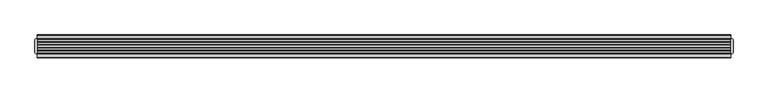
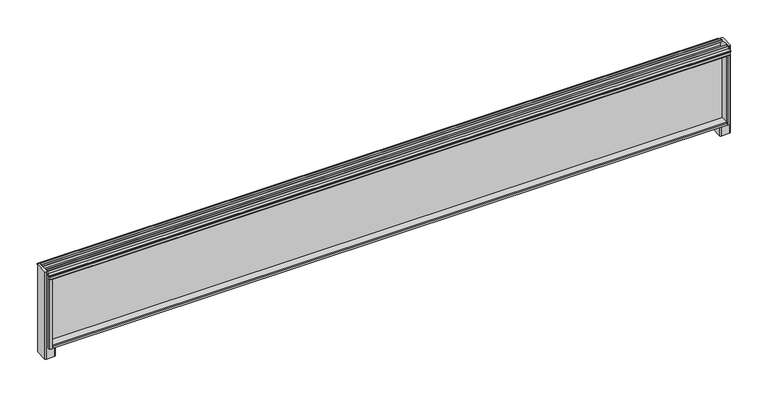
"""IFC4 building model written with IfcOpenShell, lengths in millimetres: furniture geometry."""

from ifc_helpers import new_model, si_unit, frame, origin, place, context, project, spatial, polyline, outline, extrude, faceted_brep, source, transform, mapped, element, save


def furniture_b401d12e(model_context):
    return source(origin(), model_context, "Body", "SolidModel", [
        extrude(outline(polyline([(-27.0409102, 1418.3763357), (-40.5028792, 1418.3763357), (-41.2648967, 1420.7892698), (-40.5028792, 1421.5512873), (-27.0409102, 1421.5512873), (-27.0409102, 1418.3763357)])), frame((-840.427047, 0.0, 0.0), z_axis=(1.0, 0.0, 0.0), x_axis=(0.0, 1.0, 0.0)), (0.0, 0.0, 1.0), 2422.2787647),
        extrude(outline(polyline([(23.7590898, 1418.3763357), (23.7590898, 1421.5512873), (37.2212041, 1421.5512873), (37.9830762, 1420.7892698), (37.2212041, 1418.3763357), (23.7590898, 1418.3763357)])), frame((-840.427047, 0.0, 0.0), z_axis=(1.0, 0.0, 0.0), x_axis=(0.0, 1.0, 0.0)), (0.0, 0.0, 1.0), 2422.2787647),
        faceted_brep([(1570.9297099, -35.7961223, 1153.9115191), (1570.9297099, -37.5819335, 1152.1335752), (1570.9297099, -37.5819335, 1144.7676004), (1570.9297099, -35.7961223, 1143.0), (1570.9297099, 32.5143503, 1143.0), (1570.9297099, 34.300113, 1144.7676004), (1570.9297099, 34.300113, 1152.1335752), (1570.9297099, 32.5143503, 1153.9115191), (1570.9297099, 4.2011266, 1153.9115191), (1570.9297099, 2.1691285, 1152.1335752), (1570.9297099, 2.1691285, 1146.9264803), (1570.9297099, 0.3911847, 1145.1485365), (1570.9297099, -3.6728114, 1145.1485365), (1570.9297099, -5.4509005, 1146.9264803), (1570.9297099, -5.4509005, 1152.1335752), (1570.9297099, -7.4828986, 1153.9115191), (-829.4973172, -35.7961223, 1153.9115191), (-829.4973172, -7.4828986, 1153.9115191), (-829.4973172, -5.4509005, 1152.1335752), (-829.4973172, -5.4509005, 1146.9264803), (-829.4973172, -3.6729567, 1145.1485365), (-829.4973172, 0.3913301, 1145.1485365), (-829.4973172, 2.1691285, 1146.9264803), (-829.4973172, 2.1691285, 1152.1335752), (-829.4973172, 4.2011266, 1153.9115191), (-829.4973172, 32.5143503, 1153.9115191), (-829.4973172, 34.300113, 1152.1335752), (-829.4973172, 34.300113, 1144.7676004), (-829.4973172, 32.5143503, 1143.0), (-829.4973172, -35.7961223, 1143.0), (-829.4973172, -37.5819335, 1144.7676004), (-829.4973172, -37.5819335, 1152.1335752)], [[[0, 1, 2, 3, 4, 5, 6, 7, 8, 9, 10, 11, 12, 13, 14, 15]], [[16, 17, 18, 19, 20, 21, 22, 23, 24, 25, 26, 27, 28, 29, 30, 31]], [[1, 0, 16, 31]], [[2, 1, 31, 30]], [[3, 2, 30, 29]], [[4, 3, 29, 28]], [[5, 4, 28, 27]], [[6, 5, 27, 26]], [[7, 6, 26, 25]], [[8, 7, 25, 24]], [[9, 8, 24, 23]], [[10, 9, 23, 22]], [[11, 10, 22, 21]], [[12, 11, 21, 20]], [[13, 12, 20, 19]], [[14, 13, 19, 18]], [[15, 14, 18, 17]], [[0, 15, 17, 16]]]),
        faceted_brep([(-814.7653676, -27.0409102, 1143.0), (-811.5902707, -23.8659587, 1143.0), (-811.5902707, 20.5841382, 1143.0), (-814.7653676, 23.7590898, 1143.0), (-829.4973172, 23.7590898, 1143.0), (-829.4973172, 3.9548342, 1143.0), (-831.2751157, 2.1691285, 1143.0), (-836.482356, 2.1691285, 1143.0), (-838.2601545, 0.3913301, 1143.0), (-838.2601545, -3.6728114, 1143.0), (-836.4820653, -5.4509005, 1143.0), (-831.2751157, -5.4509005, 1143.0), (-829.4973172, -7.2366547, 1143.0), (-829.4973172, -27.0409102, 1143.0), (-845.3007966, 23.7590898, 1101.5265625), (-814.7653676, 23.7590898, 1101.5265625), (-811.5902707, 20.5841382, 1101.5265625), (-811.5902707, -23.8659587, 1101.5265625), (-814.7653676, -27.0409102, 1101.5265625), (-845.3007966, -27.0409102, 1101.5265625), (-848.4836583, -23.8659587, 1101.5265625), (-848.4836583, 20.5841382, 1101.5265625), (-848.4836583, 20.5841382, 1430.734375), (-845.3007966, 23.7590898, 1430.734375), (-848.4836583, -23.8659587, 1430.734375), (-845.3007241, -27.0408375, 1430.734375), (-840.427047, -27.0409102, 1143.0), (-840.427047, -27.0409102, 1403.9237295), (-840.427047, -27.0409102, 1430.734375), (-840.427047, 23.7590898, 1430.734375), (-840.427047, 23.7590898, 1403.9237295), (-840.427047, 23.7590898, 1143.0), (-838.6412359, 34.300113, 1403.9237295), (-840.427047, 32.5143503, 1403.9237295), (-840.427047, -35.7961223, 1403.9237295), (-838.6412359, -37.5819335, 1403.9237295), (-831.2751157, -37.5819335, 1403.9237295), (-829.4973172, -35.7961223, 1403.9237295), (-829.4973172, -7.2366547, 1403.9237295), (-831.2751157, -5.4509005, 1403.9237295), (-836.482356, -5.4509005, 1403.9237295), (-838.2601545, -3.6728114, 1403.9237295), (-838.2601545, 0.3913301, 1403.9237295), (-836.482356, 2.1691285, 1403.9237295), (-831.2751157, 2.1691285, 1403.9237295), (-829.4973172, 3.9548342, 1403.9237295), (-829.4973172, 32.5143503, 1403.9237295), (-831.2751157, 34.300113, 1403.9237295), (-838.6412359, 34.300113, 1143.0), (-831.2751157, 34.300113, 1143.0), (-829.4973172, 32.5143503, 1143.0), (-840.427047, 32.5143503, 1143.0), (-829.4973172, -35.7961223, 1143.0), (-831.2751157, -37.5819335, 1143.0), (-838.6412359, -37.5819335, 1143.0), (-840.427047, -35.7961223, 1143.0)], [[[0, 1, 2, 3, 4, 5, 6, 7, 8, 9, 10, 11, 12, 13]], [[14, 15, 16, 17, 18, 19, 20, 21]], [[14, 21, 22, 23]], [[21, 20, 24, 22]], [[20, 19, 25, 24]], [[19, 18, 0, 13, 26, 27, 28, 25]], [[1, 0, 18, 17]], [[2, 1, 17, 16]], [[3, 2, 16, 15]], [[15, 14, 23, 29, 30, 31, 4, 3]], [[23, 22, 24, 25, 28, 29]], [[29, 28, 27, 30]], [[32, 33, 30, 27, 34, 35, 36, 37, 38, 39, 40, 41, 42, 43, 44, 45, 46, 47]], [[48, 49, 50, 4, 31, 51]], [[52, 53, 54, 55, 26, 13]], [[33, 32, 48, 51]], [[33, 51, 31, 30]], [[55, 34, 27, 26]], [[35, 34, 55, 54]], [[36, 35, 54, 53]], [[37, 36, 53, 52]], [[46, 45, 5, 4, 50]], [[47, 46, 50, 49]], [[32, 47, 49, 48]], [[38, 37, 52, 13, 12]], [[39, 38, 12, 11]], [[40, 39, 11, 10]], [[41, 40, 10, 9]], [[42, 41, 9, 8]], [[43, 42, 8, 7]], [[44, 43, 7, 6]], [[45, 44, 6, 5]]]),
        faceted_brep([(1556.1977603, 23.7590898, 1143.0), (1553.0226634, 20.5841382, 1143.0), (1553.0226634, -23.8659587, 1143.0), (1556.1977603, -27.0409102, 1143.0), (1570.9297099, -27.0409102, 1143.0), (1570.9297099, -7.2366547, 1143.0), (1572.707799, -5.4509005, 1143.0), (1577.9147486, -5.4429844, 1143.0), (1579.6928378, -3.6728114, 1143.0), (1579.6972137, 0.3913301, 1143.0), (1577.9147486, 2.1691285, 1143.0), (1572.707799, 2.1770447, 1143.0), (1570.9297099, 3.9548342, 1143.0), (1570.9297099, 23.7590898, 1143.0), (1589.9163417, 20.5841382, 1101.5265625), (1589.9163417, -23.8659587, 1101.5265625), (1586.7412448, -27.0409102, 1101.5265625), (1556.1977603, -27.0409102, 1101.5265625), (1553.0226634, -23.8659587, 1101.5265625), (1553.0226634, 20.5841382, 1101.5265625), (1556.1977603, 23.7590898, 1101.5265625), (1586.7412448, 23.7590898, 1101.5265625), (1586.7412448, 23.7590898, 1430.734375), (1581.8517176, 23.7590898, 1430.734375), (1581.8517176, -27.0408618, 1430.734375), (1586.7412448, -27.0408618, 1430.734375), (1589.9163417, -23.8657649, 1430.734375), (1589.9163417, 20.5839929, 1430.734375), (1581.8517176, 23.7590898, 1403.9237295), (1581.8517176, -27.0408618, 1403.9237295), (1572.707799, 34.300113, 1403.9237295), (1570.9297099, 32.5143503, 1403.9237295), (1570.9297099, 3.9548342, 1403.9237295), (1572.707799, 2.1691285, 1403.9237295), (1577.9147486, 2.1770447, 1403.9237295), (1579.6928378, 0.3913301, 1403.9237295), (1579.6972137, -3.6728114, 1403.9237295), (1577.9147486, -5.4509005, 1403.9237295), (1572.707799, -5.4429844, 1403.9237295), (1570.9297099, -7.2366547, 1403.9237295), (1570.9297099, -35.7961223, 1403.9237295), (1572.707799, -37.5819335, 1403.9237295), (1580.0736285, -37.5819335, 1403.9237295), (1581.8517176, -35.7961223, 1403.9237295), (1581.8517176, 32.5143503, 1403.9237295), (1580.0736285, 34.300113, 1403.9237295), (1572.707799, 34.300113, 1143.0), (1580.0736285, 34.300113, 1143.0), (1581.8517176, 32.5143503, 1143.0), (1581.8517176, 23.7590898, 1143.0), (1570.9297099, 32.5143503, 1143.0), (1581.8517176, -35.7961223, 1143.0), (1580.0736285, -37.5819335, 1143.0), (1572.707799, -37.5819335, 1143.0), (1570.9297099, -35.7961223, 1143.0), (1581.8517176, -27.0409102, 1143.0)], [[[0, 1, 2, 3, 4, 5, 6, 7, 8, 9, 10, 11, 12, 13]], [[14, 15, 16, 17, 18, 19, 20, 21]], [[22, 23, 24, 25, 26, 27]], [[24, 23, 28, 29]], [[30, 31, 32, 33, 34, 35, 36, 37, 38, 39, 40, 41, 42, 43, 29, 28, 44, 45]], [[46, 47, 48, 49, 13, 50]], [[51, 52, 53, 54, 4, 55]], [[31, 30, 46, 50]], [[41, 40, 54, 53]], [[42, 41, 53, 52]], [[43, 42, 52, 51]], [[43, 51, 55, 29]], [[48, 44, 28, 49]], [[45, 44, 48, 47]], [[30, 45, 47, 46]], [[32, 31, 50, 13, 12]], [[33, 32, 12, 11]], [[34, 33, 11, 10]], [[35, 34, 10, 9]], [[36, 35, 9, 8]], [[37, 36, 8, 7]], [[38, 37, 7, 6]], [[39, 38, 6, 5]], [[40, 39, 5, 4, 54]], [[14, 21, 22, 27]], [[21, 20, 0, 13, 49, 28, 23, 22]], [[1, 0, 20, 19]], [[2, 1, 19, 18]], [[3, 2, 18, 17]], [[17, 16, 25, 24, 29, 55, 4, 3]], [[16, 15, 26, 25]], [[15, 14, 27, 26]]]),
        extrude(outline(polyline([(-27.0409102, 1430.7355578), (-26.253531, 1431.5231153), (-25.4661517, 1430.736049), (-25.4661517, 1424.0913939), (-17.693661, 1424.0913939), (-17.693661, 1430.7425612), (-16.8647414, 1431.526255), (-16.1189025, 1430.7239564), (-16.1189025, 1423.5832853), (-17.693661, 1422.0593958), (-25.4661517, 1422.0593958), (-25.4661517, 1405.9557276), (-7.4828986, 1405.9557276), (-7.4828986, 1411.6363644), (-4.4348288, 1414.7187101), (1.1532022, 1414.7187101), (4.2011266, 1411.6365097), (4.2011266, 1405.9557276), (22.1843313, 1405.9557276), (22.1843313, 1422.0593958), (14.412276, 1422.0593958), (12.837082, 1423.5832853), (12.837082, 1430.7344025), (13.624534, 1431.5231153), (14.4119859, 1430.7343702), (14.4119859, 1424.0913939), (22.1843313, 1424.0913939), (22.1843313, 1430.736049), (22.9717105, 1431.527929), (23.7590898, 1430.734375), (23.7590898, 1416.6236811), (33.5843009, 1416.6236811), (35.1892061, 1415.0187759), (35.1892061, 1405.4477644), (33.6651712, 1403.9237295), (3.6931634, 1403.9237295), (2.1691285, 1405.4477644), (2.1691285, 1412.6422865), (-5.4509005, 1412.6422865), (-5.4509005, 1405.4477644), (-6.9749354, 1403.9237295), (-36.9467978, 1403.9237295), (-38.4708327, 1405.4477644), (-38.4708327, 1415.0996462), (-36.9467978, 1416.6236811), (-27.0409102, 1416.6236811), (-27.0409102, 1430.7355578)])), frame((-840.427047, 0.0, 0.0), z_axis=(1.0, 0.0, 0.0), x_axis=(0.0, 1.0, 0.0)), (0.0, 0.0, 1.0), 2422.2787647),
        extrude(outline(polyline([(1573.4063029, -0.0534102), (1573.4063029, -3.2284102), (-831.9736196, -3.2284102), (-831.9736196, -0.0534102), (1573.4063029, -0.0534102)])), frame((0.0, 0.0, 1145.1485365), z_axis=(0.0, 0.0, 1.0), x_axis=(1.0, 0.0, 0.0)), (0.0, 0.0, 1.0), 267.49375),
    ])


if __name__ == "__main__":
    model = new_model("IFC4")
    model_context = context("Model", 3, world=origin())
    ifc_project = project(units=[si_unit("LENGTHUNIT", "METRE", prefix="MILLI")], contexts=[model_context])
    site = spatial("IfcSite", under=ifc_project)
    building = spatial("IfcBuilding", under=site)
    placement = place(None, origin())
    furniture_shape = furniture_b401d12e(model_context)
    element("IfcFurniture", 1, at=placement, inside=building, context=model_context, shape_type="MappedRepresentation", body=[
        mapped(furniture_shape, transform((0.0, 0.0, 0.0), x_axis=(1.0, 0.0, 0.0), y_axis=(0.0, 1.0, 0.0), z_axis=(0.0, 0.0, 1.0))),
    ])
    save(model, "model.ifc")
